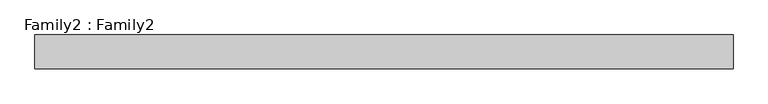
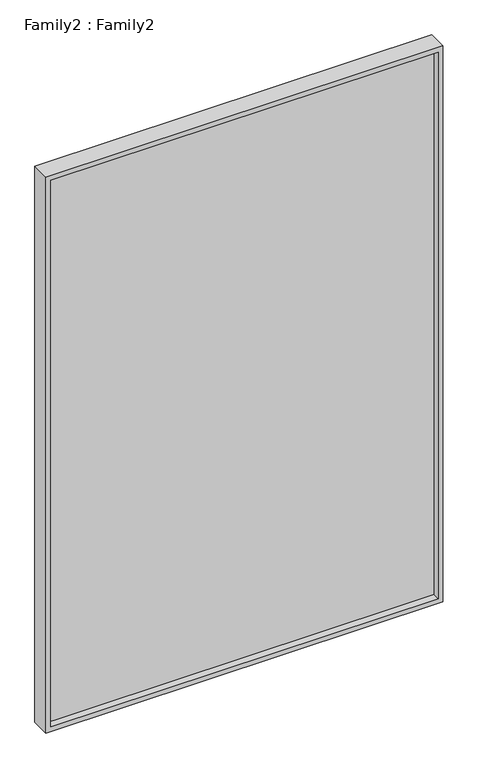
"""IFC4 building model written with IfcOpenShell, lengths in millimetres: plate geometry, Family2 : Family2."""

from ifc_helpers import new_model, si_unit, frame, origin, place, context, project, spatial, polyline, outline, extrude, source, transform, mapped, element, save


def family2_family2_ea3ca162(model_context):
    return source(origin(), model_context, "Body", "SweptSolid", [
        extrude(outline(polyline([(2450.0, -827.5), (0.0, -827.5), (0.0, 827.5), (2450.0, 827.5), (2450.0, -827.5)]), holes=[polyline([(20.0, -807.5), (2430.0, -807.5), (2430.0, 807.5), (20.0, 807.5), (20.0, -807.5)])]), frame((0.0, -40.0, 0.0), z_axis=(0.0, 1.0, 0.0), x_axis=(0.0, 0.0, 1.0)), (0.0, 0.0, 1.0), 80.0),
        extrude(outline(polyline([(807.5, -10.0), (-807.5, -10.0), (-807.5, 10.0), (807.5, 10.0), (807.5, -10.0)])), frame((0.0, 0.0, 20.0), z_axis=(0.0, 0.0, 1.0), x_axis=(1.0, 0.0, 0.0)), (0.0, 0.0, 1.0), 2410.0),
    ])


if __name__ == "__main__":
    model = new_model("IFC4")
    model_context = context("Model", 3, world=origin())
    ifc_project = project(units=[si_unit("LENGTHUNIT", "METRE", prefix="MILLI")], contexts=[model_context])
    site = spatial("IfcSite", under=ifc_project)
    building = spatial("IfcBuilding", under=site)
    placement = place(None, origin())
    family2_family2_shape = family2_family2_ea3ca162(model_context)
    element("IfcPlate", 1, ObjectType="Family2 : Family2", at=placement, inside=building, context=model_context, shape_type="MappedRepresentation", body=[
        mapped(family2_family2_shape, transform((0.0, 0.0, 0.0), x_axis=(1.0, 0.0, 0.0), y_axis=(0.0, 1.0, 0.0), z_axis=(0.0, 0.0, 1.0))),
    ])
    save(model, "model.ifc")
